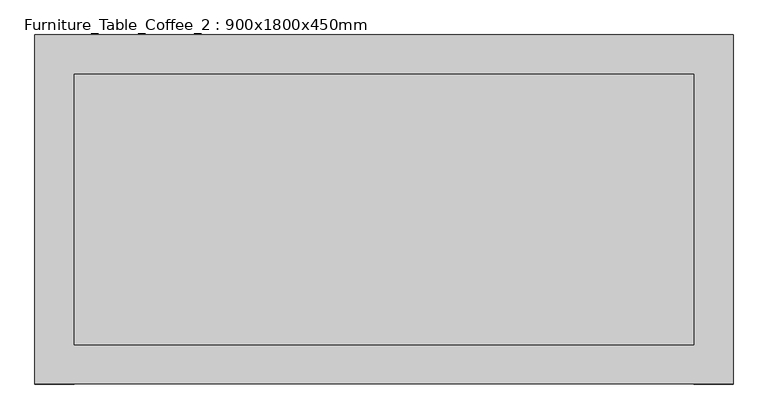
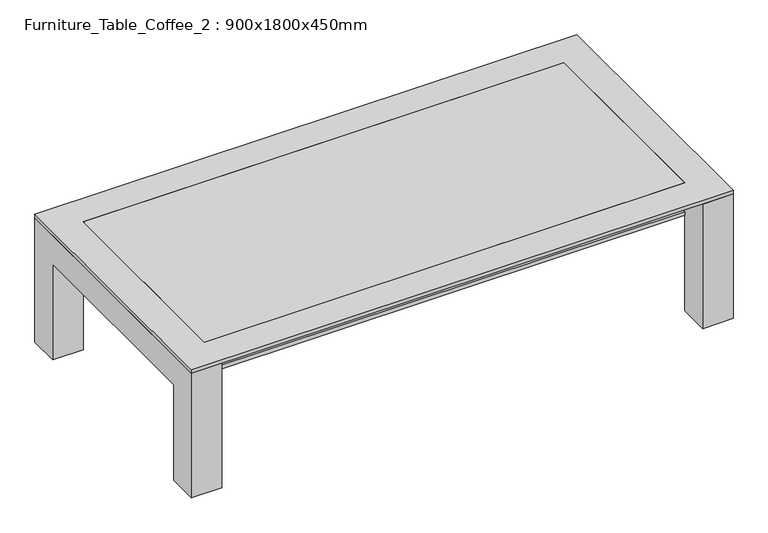
"""IFC4 building model written with IfcOpenShell, lengths in millimetres: furniture geometry, Furniture_Table_Coffee_2 : 900x1800x450mm."""

from ifc_helpers import new_model, si_unit, frame, origin, place, context, project, spatial, polyline, outline, extrude, source, transform, mapped, element, save


def furniture_table_coffee_2_900x1800x450mm_5155f8fa(model_context):
    return source(origin(), model_context, "Body", "SweptSolid", [
        extrude(outline(polyline([(918.2657667, 545.2110778), (918.2657667, -354.7889222), (-881.7342333, -354.7889222), (-881.7342333, 545.2110778), (918.2657667, 545.2110778)]), holes=[polyline([(816.6657667, 443.6110778), (-780.1342333, 443.6110778), (-780.1342333, -253.1889222), (816.6657667, -253.1889222), (816.6657667, 443.6110778)])]), frame((0.0, 0.0, 437.3), z_axis=(0.0, 0.0, 1.0), x_axis=(1.0, 0.0, 0.0)), (0.0, 0.0, 1.0), 12.7),
        extrude(outline(polyline([(816.6657667, 443.6110778), (816.6657667, -253.1889222), (-780.1342333, -253.1889222), (-780.1342333, 443.6110778), (816.6657667, 443.6110778)])), frame((0.0, 0.0, 437.3), z_axis=(0.0, 0.0, 1.0), x_axis=(1.0, 0.0, 0.0)), (0.0, 0.0, 1.0), 12.7),
        extrude(outline(polyline([(545.2110778, 437.3), (545.2110778, 0.0), (443.6110778, 0.0), (443.6110778, 335.7), (-253.1889222, 335.7), (-253.1889222, 0.0), (-354.7889222, 0.0), (-354.7889222, 437.3), (545.2110778, 437.3)])), frame((-881.7342333, 0.0, 0.0), z_axis=(1.0, 0.0, 0.0), x_axis=(0.0, 1.0, 0.0)), (0.0, 0.0, 1.0), 101.6),
        extrude(outline(polyline([(545.2110778, 0.0), (443.6110778, 0.0), (443.6110778, 335.7), (-253.1889222, 335.7), (-253.1889222, 0.0), (-354.7889222, 0.0), (-354.7889222, 437.3), (545.2110778, 437.3), (545.2110778, 0.0)])), frame((816.6657667, 0.0, 0.0), z_axis=(1.0, 0.0, 0.0), x_axis=(0.0, 1.0, 0.0)), (0.0, 0.0, 1.0), 101.6),
        extrude(outline(polyline([(816.6657667, 443.6110778), (816.6657667, -253.1889222), (-780.1342333, -253.1889222), (-780.1342333, 443.6110778), (816.6657667, 443.6110778)])), frame((0.0, 0.0, 335.7), z_axis=(0.0, 0.0, 1.0), x_axis=(1.0, 0.0, 0.0)), (0.0, 0.0, 1.0), 12.7),
    ])


if __name__ == "__main__":
    model = new_model("IFC4")
    model_context = context("Model", 3, world=origin())
    ifc_project = project(units=[si_unit("LENGTHUNIT", "METRE", prefix="MILLI")], contexts=[model_context])
    site = spatial("IfcSite", under=ifc_project)
    building = spatial("IfcBuilding", under=site)
    placement = place(None, origin())
    furniture_table_coffee_2_900x1800x450mm_shape = furniture_table_coffee_2_900x1800x450mm_5155f8fa(model_context)
    element("IfcFurniture", 1, ObjectType="Furniture_Table_Coffee_2 : 900x1800x450mm", at=placement, inside=building, context=model_context, shape_type="MappedRepresentation", body=[
        mapped(furniture_table_coffee_2_900x1800x450mm_shape, transform((0.0, 0.0, 0.0), x_axis=(1.0, 0.0, 0.0), y_axis=(0.0, 1.0, 0.0), z_axis=(0.0, 0.0, 1.0))),
    ])
    save(model, "model.ifc")
